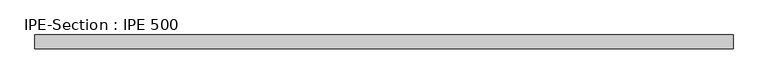
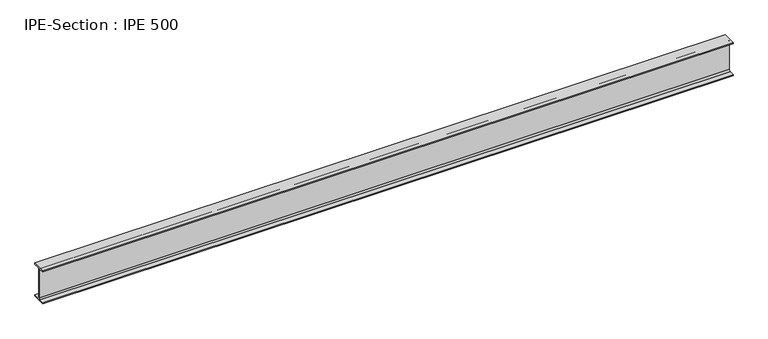
"""IFC4 building model written with IfcOpenShell, lengths in millimetres: beam geometry, IPE-Section : IPE 500."""

from ifc_helpers import new_model, si_unit, point, frame, frame_2d, origin, place, context, project, spatial, polyline, circle_curve, trimmed, segment, composite_curve, outline, extrude, source, transform, mapped, element, save


def ipe_section_ipe_500_4da601d9(model_context):
    return source(origin(), model_context, "Body", "SweptSolid", [
        extrude(outline(composite_curve([segment(polyline([(100.0, -234.0), (100.0, -250.0), (-100.0, -250.0), (-100.0, -234.0), (-26.1, -234.0)]), True, "CONTINUOUS"), segment(trimmed(circle_curve(frame_2d((-26.1, -213.0)), 21.0), [point((-26.1, -234.0))], [point((-5.1, -213.0))], True, "CARTESIAN"), True, "CONTINUOUS"), segment(polyline([(-5.1, -213.0), (-5.1, 213.0)]), True, "CONTINUOUS"), segment(trimmed(circle_curve(frame_2d((-26.1, 213.0)), 21.0), [point((-5.1, 213.0))], [point((-26.1, 234.0))], True, "CARTESIAN"), True, "CONTINUOUS"), segment(polyline([(-26.1, 234.0), (-100.0, 234.0), (-100.0, 250.0), (100.0, 250.0), (100.0, 234.0), (26.1, 234.0)]), True, "CONTINUOUS"), segment(trimmed(circle_curve(frame_2d((26.1, 213.0)), 21.0), [point((26.1, 234.0))], [point((5.1, 213.0))], True, "CARTESIAN"), True, "CONTINUOUS"), segment(polyline([(5.1, 213.0), (5.1, -213.0)]), True, "CONTINUOUS"), segment(trimmed(circle_curve(frame_2d((26.1, -213.0)), 21.0), [point((5.1, -213.0))], [point((26.1, -234.0))], True, "CARTESIAN"), True, "CONTINUOUS"), segment(polyline([(26.1, -234.0), (100.0, -234.0)]), True, "CONTINUOUS")], self_intersect=False)), frame((-4965.55, 0.0, 0.0), z_axis=(1.0, 0.0, 0.0), x_axis=(0.0, 1.0, 0.0)), (0.0, 0.0, 1.0), 9941.6),
    ])


if __name__ == "__main__":
    model = new_model("IFC4")
    model_context = context("Model", 3, world=origin())
    ifc_project = project(units=[si_unit("LENGTHUNIT", "METRE", prefix="MILLI")], contexts=[model_context])
    site = spatial("IfcSite", under=ifc_project)
    building = spatial("IfcBuilding", under=site)
    placement = place(None, origin())
    ipe_section_ipe_500_shape = ipe_section_ipe_500_4da601d9(model_context)
    element("IfcBeam", 1, ObjectType="IPE-Section : IPE 500", at=placement, inside=building, context=model_context, shape_type="MappedRepresentation", body=[
        mapped(ipe_section_ipe_500_shape, transform((0.0, 0.0, 0.0), x_axis=(1.0, 0.0, 0.0), y_axis=(0.0, 1.0, 0.0), z_axis=(0.0, 0.0, 1.0))),
    ])
    save(model, "model.ifc")
